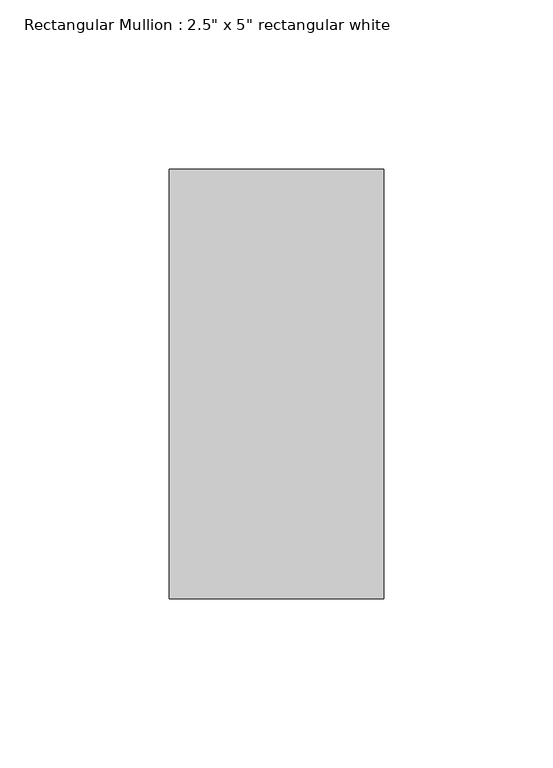
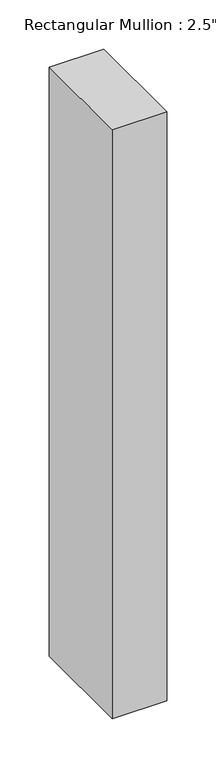
"""IFC4 building model written with IfcOpenShell, lengths in millimetres: member geometry."""

from ifc_helpers import new_model, si_unit, frame, origin, place, context, project, spatial, polyline, outline, extrude, source, transform, mapped, element, save


def member_90cac341(model_context):
    return source(origin(), model_context, "Body", "SweptSolid", [
        extrude(outline(polyline([(31.75, 63.5), (31.75, -63.5), (-31.75, -63.5), (-31.75, 63.5), (31.75, 63.5)])), frame((0.0, 0.0, -727.3444208), z_axis=(0.0, 0.0, 1.0), x_axis=(1.0, 0.0, 0.0)), (0.0, 0.0, 1.0), 727.3444208),
    ])


if __name__ == "__main__":
    model = new_model("IFC4")
    model_context = context("Model", 3, world=origin())
    ifc_project = project(units=[si_unit("LENGTHUNIT", "METRE", prefix="MILLI")], contexts=[model_context])
    site = spatial("IfcSite", under=ifc_project)
    building = spatial("IfcBuilding", under=site)
    placement = place(None, origin())
    member_shape = member_90cac341(model_context)
    element("IfcMember", 1, ObjectType="Rectangular Mullion : 2.5\" x 5\" rectangular white", at=placement, inside=building, context=model_context, shape_type="MappedRepresentation", body=[
        mapped(member_shape, transform((0.0, 0.0, 0.0), x_axis=(1.0, 0.0, 0.0), y_axis=(0.0, 1.0, 0.0), z_axis=(0.0, 0.0, 1.0))),
    ])
    save(model, "model.ifc")
